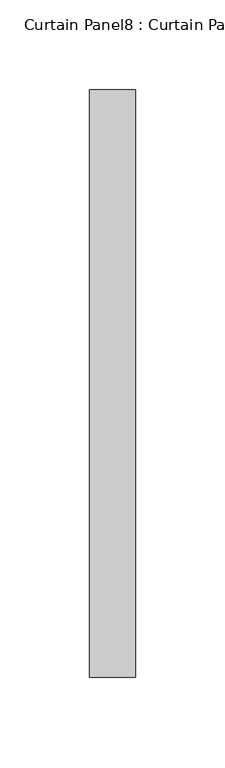
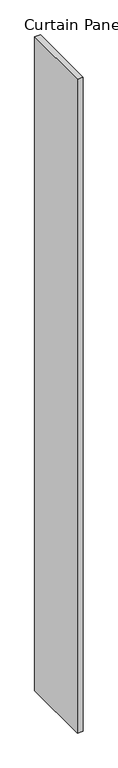
"""IFC4 building model written with IfcOpenShell, lengths in millimetres: plate geometry, Curtain Panel8 : Curtain Panel."""

from ifc_helpers import new_model, si_unit, frame, origin, place, context, project, spatial, polyline, outline, extrude, source, transform, mapped, element, save


def curtain_panel8_curtain_panel_ce0aacfa(model_context):
    return source(origin(), model_context, "Body", "SweptSolid", [
        extrude(outline(polyline([(-5274.7110616, 2148.5548097), (-5274.7110616, 1821.7466846), (-5300.1110616, 1821.7466846), (-5300.1110616, 2148.5548097), (-5274.7110616, 2148.5548097)])), frame((0.0, 0.0, -655.9548836), z_axis=(0.0, 0.0, 1.0), x_axis=(1.0, 0.0, 0.0)), (0.0, 0.0, 1.0), 3048.0),
    ])


if __name__ == "__main__":
    model = new_model("IFC4")
    model_context = context("Model", 3, world=origin())
    ifc_project = project(units=[si_unit("LENGTHUNIT", "METRE", prefix="MILLI")], contexts=[model_context])
    site = spatial("IfcSite", under=ifc_project)
    building = spatial("IfcBuilding", under=site)
    placement = place(None, origin())
    curtain_panel8_curtain_panel_shape = curtain_panel8_curtain_panel_ce0aacfa(model_context)
    element("IfcPlate", 1, ObjectType="Curtain Panel8 : Curtain Panel", at=placement, inside=building, context=model_context, shape_type="MappedRepresentation", body=[
        mapped(curtain_panel8_curtain_panel_shape, transform((0.0, 0.0, 0.0), x_axis=(1.0, 0.0, 0.0), y_axis=(0.0, 1.0, 0.0), z_axis=(0.0, 0.0, 1.0))),
    ])
    save(model, "model.ifc")
